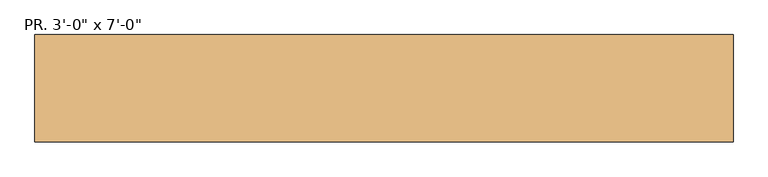
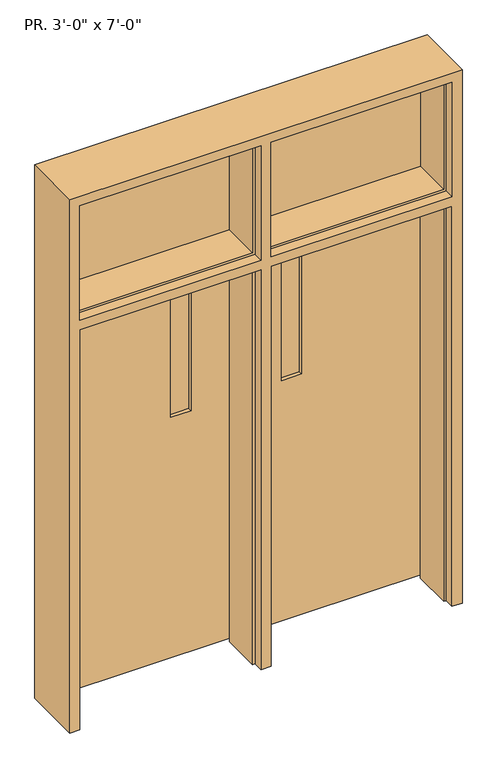
"""IFC4 building model written with IfcOpenShell, lengths in millimetres: door geometry."""

from ifc_helpers import new_model, si_unit, frame, origin, place, context, project, spatial, polyline, outline, extrude, faceted_brep, source, transform, mapped, element, save


def door_5ce1b40f(model_context):
    return source(origin(), model_context, "Body", "SolidModel", [
        faceted_brep([(-1447.8, -153.9875, 2844.8), (-1447.8, -153.9875, 0.0), (-1397.0, -153.9875, 0.0), (-1397.0, -153.9875, 2133.6), (-482.6, -153.9875, 2133.6), (-482.6, -153.9875, 0.0), (-431.8, -153.9875, 0.0), (-431.8, -153.9875, 2133.6), (482.6, -153.9875, 2133.6), (482.6, -153.9875, 0.0), (533.4, -153.9875, 0.0), (533.4, -153.9875, 2844.8), (-1397.0, -153.9875, 2184.4), (-1397.0, -153.9875, 2794.0), (-482.6, -153.9875, 2794.0), (-482.6, -153.9875, 2184.4), (-431.8, -153.9875, 2184.4), (-431.8, -153.9875, 2794.0), (482.6, -153.9875, 2794.0), (482.6, -153.9875, 2184.4), (-1447.8, 150.8125, 2844.8), (-1447.8, 150.8125, 0.0), (-1397.0, 100.0125, 0.0), (-1384.3, 100.0125, 0.0), (-1384.3, -103.1875, 0.0), (-1397.0, -103.1875, 0.0), (-1397.0, 150.8125, 0.0), (-1397.0, -103.1875, 2133.6), (-1397.0, -103.1875, 2184.4), (-1397.0, -103.1875, 2794.0), (-482.6, -103.1875, 0.0), (-482.6, -103.1875, 2133.6), (-482.6, -103.1875, 2794.0), (-482.6, -103.1875, 2184.4), (-495.3, -103.1875, 0.0), (-495.3, 100.0125, 0.0), (-482.6, 100.0125, 0.0), (-482.6, 150.8125, 0.0), (-431.8, 150.8125, 0.0), (-431.8, 100.0125, 0.0), (-419.1, 100.0125, 0.0), (-419.1, -103.1875, 0.0), (-431.8, -103.1875, 0.0), (-431.8, -103.1875, 2133.6), (-431.8, -103.1875, 2184.4), (-431.8, -103.1875, 2794.0), (482.6, -103.1875, 0.0), (482.6, -103.1875, 2133.6), (482.6, -103.1875, 2794.0), (482.6, -103.1875, 2184.4), (469.9, -103.1875, 0.0), (469.9, 100.0125, 0.0), (482.6, 100.0125, 0.0), (482.6, 150.8125, 0.0), (533.4, 150.8125, 0.0), (533.4, 150.8125, 2844.8), (-1384.3, -103.1875, 2120.9), (-495.3, -103.1875, 2120.9), (-419.1, -103.1875, 2120.9), (469.9, -103.1875, 2120.9), (469.9, -103.1875, 2197.1), (-419.1, -103.1875, 2197.1), (-419.1, -103.1875, 2781.3), (469.9, -103.1875, 2781.3), (-495.3, -103.1875, 2197.1), (-1384.3, -103.1875, 2197.1), (-1384.3, -103.1875, 2781.3), (-495.3, -103.1875, 2781.3), (-1384.3, 100.0125, 2120.9), (-1384.3, 100.0125, 2197.1), (-1384.3, 100.0125, 2781.3), (-495.3, 100.0125, 2120.9), (-495.3, 100.0125, 2197.1), (-495.3, 100.0125, 2781.3), (-419.1, 100.0125, 2120.9), (-419.1, 100.0125, 2197.1), (-419.1, 100.0125, 2781.3), (469.9, 100.0125, 2120.9), (469.9, 100.0125, 2197.1), (469.9, 100.0125, 2781.3), (-1397.0, 100.0125, 2133.6), (-482.6, 100.0125, 2133.6), (-431.8, 100.0125, 2133.6), (482.6, 100.0125, 2133.6), (-482.6, 100.0125, 2184.4), (-1397.0, 100.0125, 2184.4), (-1397.0, 100.0125, 2794.0), (-482.6, 100.0125, 2794.0), (482.6, 100.0125, 2184.4), (-431.8, 100.0125, 2184.4), (-431.8, 100.0125, 2794.0), (482.6, 100.0125, 2794.0), (-1397.0, 150.8125, 2133.6), (-1397.0, 150.8125, 2184.4), (-1397.0, 150.8125, 2794.0), (-482.6, 150.8125, 2133.6), (-482.6, 150.8125, 2794.0), (-482.6, 150.8125, 2184.4), (-431.8, 150.8125, 2133.6), (-431.8, 150.8125, 2184.4), (-431.8, 150.8125, 2794.0), (482.6, 150.8125, 2133.6), (482.6, 150.8125, 2184.4), (482.6, 150.8125, 2794.0)], [[[0, 1, 2, 3, 4, 5, 6, 7, 8, 9, 10, 11], [12, 13, 14, 15], [16, 17, 18, 19]], [[0, 20, 21, 1]], [[22, 23, 24, 25, 2, 1, 21, 26]], [[2, 25, 27, 3]], [[12, 28, 29, 13]], [[30, 5, 4, 31]], [[15, 14, 32, 33]], [[5, 30, 34, 35, 36, 37, 38, 39, 40, 41, 42, 6]], [[6, 42, 43, 7]], [[17, 16, 44, 45]], [[46, 9, 8, 47]], [[48, 49, 19, 18]], [[10, 9, 46, 50, 51, 52, 53, 54]], [[55, 11, 10, 54]], [[25, 24, 56, 57, 34, 30, 31, 27]], [[50, 46, 47, 43, 42, 41, 58, 59]], [[44, 49, 48, 45], [60, 61, 62, 63]], [[28, 33, 32, 29], [64, 65, 66, 67]], [[24, 23, 68, 56]], [[65, 69, 70, 66]], [[35, 34, 57, 71]], [[72, 64, 67, 73]], [[41, 40, 74, 58]], [[61, 75, 76, 62]], [[51, 50, 59, 77]], [[78, 60, 63, 79]], [[23, 22, 80, 81, 36, 35, 71, 68]], [[52, 51, 77, 74, 40, 39, 82, 83]], [[84, 85, 86, 87], [69, 72, 73, 70]], [[88, 89, 90, 91], [75, 78, 79, 76]], [[22, 26, 92, 80]], [[86, 85, 93, 94]], [[37, 36, 81, 95]], [[96, 97, 84, 87]], [[39, 38, 98, 82]], [[99, 100, 90, 89]], [[53, 52, 83, 101]], [[102, 88, 91, 103]], [[55, 54, 53, 101, 98, 38, 37, 95, 92, 26, 21, 20], [97, 96, 94, 93], [102, 103, 100, 99]], [[14, 13, 29, 32]], [[18, 17, 45, 48]], [[0, 11, 55, 20]], [[67, 66, 70, 73]], [[76, 79, 63, 62]], [[100, 103, 91, 90]], [[94, 96, 87, 86]], [[19, 49, 44, 16]], [[28, 12, 15, 33]], [[60, 78, 75, 61]], [[69, 65, 64, 72]], [[88, 102, 99, 89]], [[93, 85, 84, 97]], [[101, 83, 82, 98]], [[80, 92, 95, 81]], [[77, 59, 58, 74]], [[56, 68, 71, 57]], [[47, 8, 7, 43]], [[3, 27, 31, 4]]]),
        extrude(outline(polyline([(-787.4, 131.7625), (-685.8, 131.7625), (-685.8, 125.4125), (-787.4, 125.4125), (-787.4, 131.7625)])), frame((0.0, 0.0, 1295.4), z_axis=(0.0, 0.0, 1.0), x_axis=(1.0, 0.0, 0.0)), (0.0, 0.0, 1.0), 635.0),
        extrude(outline(polyline([(-228.6, 131.7625), (-127.0, 131.7625), (-127.0, 125.4125), (-228.6, 125.4125), (-228.6, 131.7625)])), frame((0.0, 0.0, 1295.4), z_axis=(0.0, 0.0, 1.0), x_axis=(1.0, 0.0, 0.0)), (0.0, 0.0, 1.0), 635.0),
        extrude(outline(polyline([(12.7, -482.6), (2133.6, -482.6), (2133.6, -1397.0082722), (12.7, -1397.0082722), (12.7, -482.6)]), holes=[polyline([(1295.4, -787.4), (1930.4, -787.4), (1930.4, -685.8), (1295.4, -685.8), (1295.4, -787.4)])]), frame((0.0, 106.3625, 0.0), z_axis=(0.0, 1.0, 0.0), x_axis=(0.0, 0.0, 1.0)), (0.0, 0.0, 1.0), 44.45),
        extrude(outline(polyline([(12.7, -431.8), (12.7, 482.6), (2133.6, 482.6), (2133.6, -431.8), (12.7, -431.8)]), holes=[polyline([(1295.4, -228.6), (1930.4, -228.6), (1930.4, -127.0), (1295.4, -127.0), (1295.4, -228.6)])]), frame((0.0, 106.3625, 0.0), z_axis=(0.0, 1.0, 0.0), x_axis=(0.0, 0.0, 1.0)), (0.0, 0.0, 1.0), 44.45),
        extrude(outline(polyline([(2184.4, -1397.0), (2184.4, -482.6), (2794.0, -482.6), (2794.0, -1397.0), (2184.4, -1397.0)]), holes=[polyline([(2781.3, -1384.3), (2781.3, -495.3), (2197.1, -495.3), (2197.1, -1384.3), (2781.3, -1384.3)])]), frame((0.0, 106.3625, 0.0), z_axis=(0.0, 1.0, 0.0), x_axis=(0.0, 0.0, 1.0)), (0.0, 0.0, 1.0), 12.7),
        extrude(outline(polyline([(2184.4, -431.8), (2184.4, 482.6), (2794.0, 482.6), (2794.0, -431.8), (2184.4, -431.8)]), holes=[polyline([(2781.3, -419.1), (2781.3, 469.9), (2197.1, 469.9), (2197.1, -419.1), (2781.3, -419.1)])]), frame((0.0, 106.3625, 0.0), z_axis=(0.0, 1.0, 0.0), x_axis=(0.0, 0.0, 1.0)), (0.0, 0.0, 1.0), 12.7),
        extrude(outline(polyline([(-431.8, 106.3625), (482.6, 106.3625), (482.6, 100.0125), (-431.8, 100.0125), (-431.8, 106.3625)])), frame((0.0, 0.0, 2184.4), z_axis=(0.0, 0.0, 1.0), x_axis=(1.0, 0.0, 0.0)), (0.0, 0.0, 1.0), 609.6),
        extrude(outline(polyline([(-1397.0, 106.3625), (-482.6, 106.3625), (-482.6, 100.0125), (-1397.0, 100.0125), (-1397.0, 106.3625)])), frame((0.0, 0.0, 2184.4), z_axis=(0.0, 0.0, 1.0), x_axis=(1.0, 0.0, 0.0)), (0.0, 0.0, 1.0), 609.6),
    ])


if __name__ == "__main__":
    model = new_model("IFC4")
    model_context = context("Model", 3, world=origin())
    ifc_project = project(units=[si_unit("LENGTHUNIT", "METRE", prefix="MILLI")], contexts=[model_context])
    site = spatial("IfcSite", under=ifc_project)
    building = spatial("IfcBuilding", under=site)
    placement = place(None, origin())
    door_shape = door_5ce1b40f(model_context)
    element("IfcDoor", 1, ObjectType="PR. 3'-0\" x 7'-0\"", at=placement, inside=building, context=model_context, shape_type="MappedRepresentation", body=[
        mapped(door_shape, transform((0.0, 0.0, 0.0), x_axis=(1.0, 0.0, 0.0), y_axis=(0.0, 1.0, 0.0), z_axis=(0.0, 0.0, 1.0))),
    ])
    save(model, "model.ifc")
